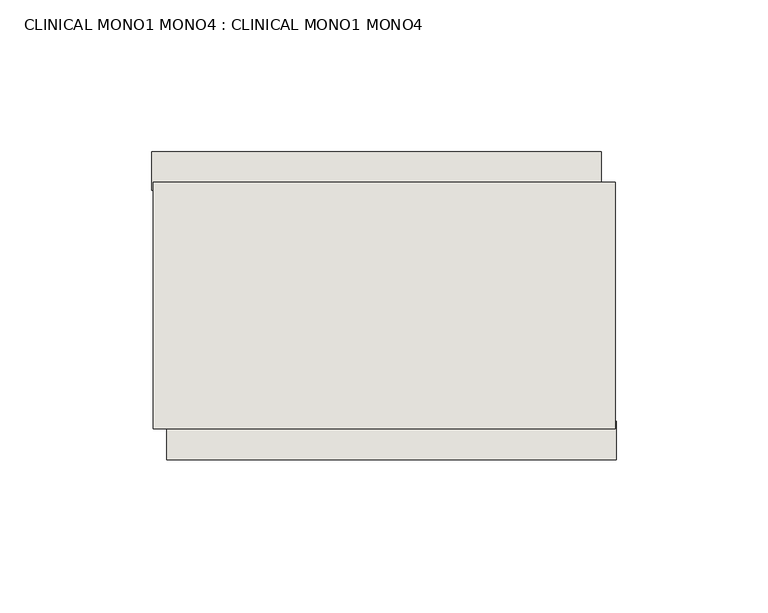
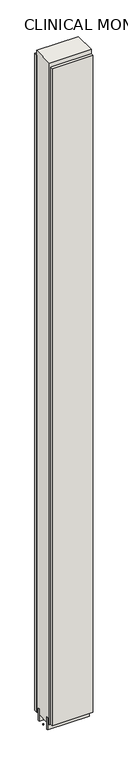
"""IFC4 building model written with IfcOpenShell, lengths in millimetres: wall geometry, CLINICAL MONO1 MONO4 : CLINICAL MONO1 MONO4."""

from ifc_helpers import new_model, si_unit, frame, origin, place, context, project, spatial, polyline, outline, extrude, source, transform, mapped, element, save


def clinical_mono1_mono4_clinical_mono1_mono4_3d3c8d8c(model_context):
    return source(origin(), model_context, "Body", "SweptSolid", [
        extrude(outline(polyline([(76311.855504, -40210.4745954), (76309.315504, -40210.4745954), (76309.315504, -40207.9345954), (76311.855504, -40207.9345954), (76311.855504, -40210.4745954)])), frame((0.0, 0.0, 4419.6), z_axis=(0.0, 0.0, 1.0), x_axis=(1.0, 0.0, 0.0)), (0.0, 0.0, 1.0), 2.54),
        extrude(outline(polyline([(76308.8461907, -40158.4045954), (76457.2461937, -40158.4045954), (76457.2461937, -40171.1045954), (76308.8461907, -40171.1045954), (76308.8461907, -40158.4045954)])), frame((0.0, 0.0, 4445.0), z_axis=(0.0, 0.0, 1.0), x_axis=(1.0, 0.0, 0.0)), (0.0, 0.0, 1.0), 2545.0498756),
        extrude(outline(polyline([(76462.1823281, -40260.0045954), (76313.7823251, -40260.0045954), (76313.7823251, -40247.3045954), (76462.1823281, -40247.3045954), (76462.1823281, -40260.0045954)])), frame((0.0, 0.0, 4445.0), z_axis=(0.0, 0.0, 1.0), x_axis=(1.0, 0.0, 0.0)), (0.0, 0.0, 1.0), 2545.0498756),
        extrude(outline(polyline([(76461.720457, -40184.1208508), (76309.320457, -40184.1208508), (76309.320457, -40179.0420954), (76461.720457, -40179.0420954), (76461.720457, -40184.1208508)])), frame((0.0, 0.0, 4418.6602), z_axis=(0.0, 0.0, 1.0), x_axis=(1.0, 0.0, 0.0)), (0.0, 0.0, 1.0), 47.625),
        extrude(outline(polyline([(76461.720457, -40184.1208508), (76309.320457, -40184.1208508), (76309.320457, -40179.0420954), (76461.720457, -40179.0420954), (76461.720457, -40184.1208508)])), frame((0.0, 0.0, 4418.6602), z_axis=(0.0, 0.0, 1.0), x_axis=(1.0, 0.0, 0.0)), (0.0, 0.0, 1.0), 47.625),
        extrude(outline(polyline([(76309.320457, -40234.2852412), (76461.720457, -40234.2852412), (76461.720457, -40239.3670954), (76309.320457, -40239.3670954), (76309.320457, -40234.2852412)])), frame((0.0, 0.0, 4418.6602), z_axis=(0.0, 0.0, 1.0), x_axis=(1.0, 0.0, 0.0)), (0.0, 0.0, 1.0), 47.625),
        extrude(outline(polyline([(76309.320457, -40234.2852412), (76461.720457, -40234.2852412), (76461.720457, -40239.3670954), (76309.320457, -40239.3670954), (76309.320457, -40234.2852412)])), frame((0.0, 0.0, 4418.6602), z_axis=(0.0, 0.0, 1.0), x_axis=(1.0, 0.0, 0.0)), (0.0, 0.0, 1.0), 47.625),
        extrude(outline(polyline([(76461.720457, -40168.5745014), (76461.720457, -40249.856381), (76309.320457, -40249.856381), (76309.320457, -40168.5745014), (76461.720457, -40168.5745014)])), frame((0.0, 0.0, 4445.0), z_axis=(0.0, 0.0, 1.0), x_axis=(1.0, 0.0, 0.0)), (0.0, 0.0, 1.0), 2562.4536762),
    ])


if __name__ == "__main__":
    model = new_model("IFC4")
    model_context = context("Model", 3, world=origin())
    ifc_project = project(units=[si_unit("LENGTHUNIT", "METRE", prefix="MILLI")], contexts=[model_context])
    site = spatial("IfcSite", under=ifc_project)
    building = spatial("IfcBuilding", under=site)
    placement = place(None, origin())
    clinical_mono1_mono4_clinical_mono1_mono4_shape = clinical_mono1_mono4_clinical_mono1_mono4_3d3c8d8c(model_context)
    element("IfcWall", 1, ObjectType="CLINICAL MONO1 MONO4 : CLINICAL MONO1 MONO4", at=placement, inside=building, context=model_context, shape_type="MappedRepresentation", body=[
        mapped(clinical_mono1_mono4_clinical_mono1_mono4_shape, transform((0.0, 0.0, 0.0), x_axis=(1.0, 0.0, 0.0), y_axis=(0.0, 1.0, 0.0), z_axis=(0.0, 0.0, 1.0))),
    ])
    save(model, "model.ifc")
